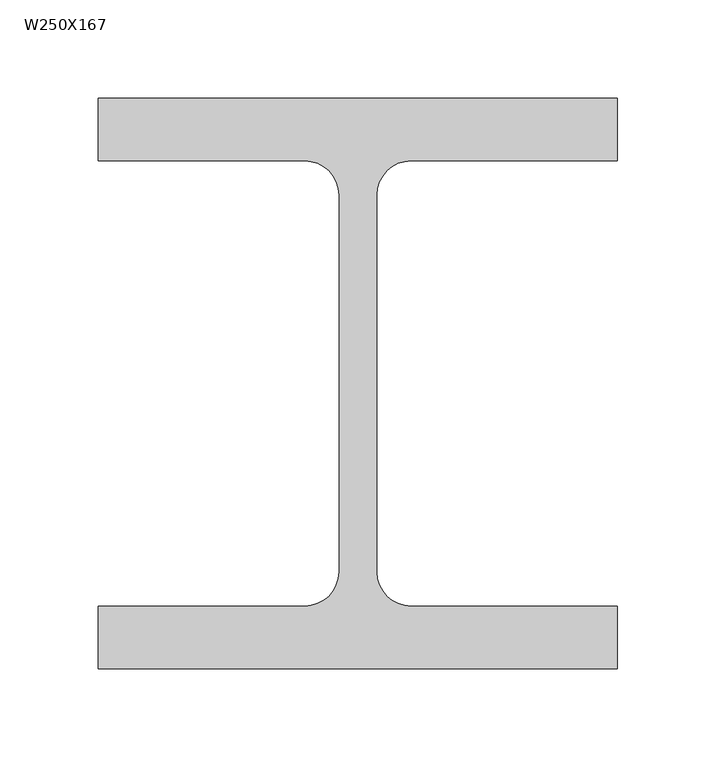
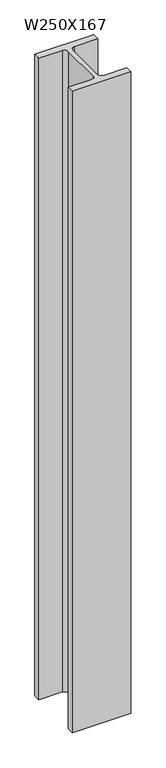
"""IFC4 building model written with IfcOpenShell, lengths in millimetres: column geometry, W250X167."""

import ifcopenshell
import ifcopenshell.guid

model = None  # the IFC model being written
_history = None  # IfcOwnerHistory: only IFC2X3 demands one
_inside = {}  # id of a spatial element -> (the spatial element, [elements in it])
_under = {}  # id of a project, library or spatial element -> (it, [spatial elements below it])
_declared = {}  # id of a project -> (the project, [libraries it declares])
_typed = {}  # id of a type object -> (the type object, [elements of that type])
_made_of = {}  # id of a material, layer set ... -> (it, [elements and type objects made of it])


def new_model(schema):
    """Start an empty IFC model of exactly this schema.

    Asked for "IFC4X3", IfcOpenShell would pick the latest addendum, in which some entities
    have other attributes; the version numbers below select the first issue.
    IFC2X3 requires an IfcOwnerHistory on every rooted entity: one is made here for all.
    """
    global model, _history
    if schema == "IFC4X3":
        model = ifcopenshell.file(schema_version=(4, 3, 0, 0))
    else:
        model = ifcopenshell.file(schema=schema)
    _inside.clear()
    _under.clear()
    _declared.clear()
    _typed.clear()
    _made_of.clear()
    _history = None
    if model.schema == "IFC2X3":
        org = make("IfcOrganization", Name="unknown")
        user = make(
            "IfcPersonAndOrganization",
            ThePerson=make("IfcPerson", FamilyName="unknown"),
            TheOrganization=org,
        )
        app = make(
            "IfcApplication",
            ApplicationDeveloper=org,
            Version="unknown",
            ApplicationFullName="unknown",
            ApplicationIdentifier="unknown",
        )
        _history = make(
            "IfcOwnerHistory",
            OwningUser=user,
            OwningApplication=app,
            ChangeAction="ADDED",
            CreationDate=0,
        )
    return model


def make(cls, **values):
    """One entity of the class cls with the attributes given. An attribute that is None is left unset."""
    return model.create_entity(
        cls, **{name: value for name, value in values.items() if value is not None}
    )


def rooted(cls, **values):
    """An entity with a GlobalId (a new one), such as an element, a storey or a relation."""
    return make(cls, GlobalId=ifcopenshell.guid.new(), OwnerHistory=_history, **values)


def si_unit(unit_type, name, prefix=None):
    """IfcSIUnit, for example si_unit("LENGTHUNIT", "METRE", prefix="MILLI")."""
    return make("IfcSIUnit", UnitType=unit_type, Prefix=prefix, Name=name)


def assignment(units):
    """IfcUnitAssignment: the units of a project."""
    return None if units is None else make("IfcUnitAssignment", Units=units)


def point(xyz):
    """IfcCartesianPoint."""
    return None if xyz is None else make("IfcCartesianPoint", Coordinates=xyz)


def direction(xyz):
    """IfcDirection."""
    return None if xyz is None else make("IfcDirection", DirectionRatios=xyz)


def frame(location, z_axis=None, x_axis=None):
    """IfcAxis2Placement3D, a coordinate frame: its origin and axes. An axis left out is left unset."""
    return make(
        "IfcAxis2Placement3D",
        Location=point(location),
        Axis=direction(z_axis),
        RefDirection=direction(x_axis),
    )


def frame_2d(location, x_axis=None):
    """IfcAxis2Placement2D, a coordinate frame in the plane: its origin and x axis."""
    return make(
        "IfcAxis2Placement2D", Location=point(location), RefDirection=direction(x_axis)
    )


def origin():
    """The frame at (0, 0, 0) with its axes left unset."""
    return frame((0.0, 0.0, 0.0))


def origin_with_axes():
    """The frame at (0, 0, 0) with the z axis (0, 0, 1) and the x axis (1, 0, 0) written out."""
    return frame((0.0, 0.0, 0.0), z_axis=(0.0, 0.0, 1.0), x_axis=(1.0, 0.0, 0.0))


def place(relative_to, where):
    """IfcLocalPlacement: puts the frame where relative to a parent placement (None: the world)."""
    return make(
        "IfcLocalPlacement", PlacementRelTo=relative_to, RelativePlacement=where
    )


def context(
    kind, dimensions, precision=None, world=None, true_north=None, identifier=None
):
    """IfcGeometricRepresentationContext, for example the 3D "Model" context."""
    return make(
        "IfcGeometricRepresentationContext",
        ContextIdentifier=identifier,
        ContextType=kind,
        CoordinateSpaceDimension=dimensions,
        Precision=precision,
        WorldCoordinateSystem=world,
        TrueNorth=true_north,
    )


def project(units=None, contexts=None):
    """IfcProject with its units and contexts."""
    return rooted(
        "IfcProject",
        Name="project",
        RepresentationContexts=contexts,
        UnitsInContext=assignment(units),
    )


def spatial(cls, under=None, at=None, **own):
    """A site, building, storey or space (cls), placed at a placement, below another one or the project."""
    s = rooted(cls, ObjectPlacement=at, **own)
    if under is not None:
        _under.setdefault(under.id(), (under, []))[1].append(s)
    return s


def polyline(points):
    """IfcPolyline through the points."""
    return make("IfcPolyline", Points=[point(p) for p in points])


def circle_curve(where, radius):
    """IfcCircle in the frame where."""
    return make("IfcCircle", Position=where, Radius=radius)


def trimmed(basis, trim1, trim2, sense, master):
    """IfcTrimmedCurve: the piece of a basis curve between two trims."""
    return make(
        "IfcTrimmedCurve",
        BasisCurve=basis,
        Trim1=trim1,
        Trim2=trim2,
        SenseAgreement=sense,
        MasterRepresentation=master,
    )


def segment(curve, same_sense, transition):
    """IfcCompositeCurveSegment."""
    return make(
        "IfcCompositeCurveSegment",
        Transition=transition,
        SameSense=same_sense,
        ParentCurve=curve,
    )


def composite_curve(segments, self_intersect=None):
    """IfcCompositeCurve: segments joined end to end."""
    return make("IfcCompositeCurve", Segments=segments, SelfIntersect=self_intersect)


def outline(outer, holes=None, kind="AREA"):
    """IfcArbitraryClosedProfileDef: a profile drawn as a closed curve; with holes, ...WithVoids."""
    if holes is None:
        return make("IfcArbitraryClosedProfileDef", ProfileType=kind, OuterCurve=outer)
    return make(
        "IfcArbitraryProfileDefWithVoids",
        ProfileType=kind,
        OuterCurve=outer,
        InnerCurves=holes,
    )


def extrude(swept, where, along, depth):
    """IfcExtrudedAreaSolid: the profile swept, set in the frame where, extruded along a direction by depth."""
    return make(
        "IfcExtrudedAreaSolid",
        SweptArea=swept,
        Position=where,
        ExtrudedDirection=direction(along),
        Depth=depth,
    )


def shape(context_of_items, identifier, shape_type, items):
    """IfcShapeRepresentation: the items that make up one representation, for example the "Body"."""
    return make(
        "IfcShapeRepresentation",
        ContextOfItems=context_of_items,
        RepresentationIdentifier=identifier,
        RepresentationType=shape_type,
        Items=items,
    )


def source(mapping_origin, context_of_items, identifier, shape_type, items):
    """IfcRepresentationMap: a shape defined once, which mapped items show again and again."""
    return make(
        "IfcRepresentationMap",
        MappingOrigin=mapping_origin,
        MappedRepresentation=shape(context_of_items, identifier, shape_type, items),
    )


def transform(
    local_origin,
    x_axis=None,
    y_axis=None,
    z_axis=None,
    scale=None,
    scale2=None,
    scale3=None,
    uniform=True,
):
    """IfcCartesianTransformationOperator3D, or its non-uniform kind. x_axis, y_axis, z_axis: its Axis1, 2, 3."""
    if uniform:
        return make(
            "IfcCartesianTransformationOperator3D",
            Axis1=direction(x_axis),
            Axis2=direction(y_axis),
            LocalOrigin=point(local_origin),
            Scale=scale,
            Axis3=direction(z_axis),
        )
    return make(
        "IfcCartesianTransformationOperator3DnonUniform",
        Axis1=direction(x_axis),
        Axis2=direction(y_axis),
        LocalOrigin=point(local_origin),
        Scale=scale,
        Axis3=direction(z_axis),
        Scale2=scale2,
        Scale3=scale3,
    )


def mapped(mapping_source, mapping_target):
    """IfcMappedItem: shows the shape of a source again, moved by a transform."""
    return make(
        "IfcMappedItem", MappingSource=mapping_source, MappingTarget=mapping_target
    )


def made_of(thing, what):
    """Note that an element or type object is made of a material, layer set ...; save() writes the relation."""
    if what is not None:
        _made_of.setdefault(what.id(), (what, []))[1].append(thing)
    return thing


def element(
    cls,
    number,
    at=None,
    inside=None,
    cuts=None,
    type_object=None,
    material=None,
    context=None,
    identifier="Body",
    shape_type=None,
    held_by="IfcProductDefinitionShape",
    body=None,
    shapes=None,
    **own,
):
    """One element of the class cls, such as IfcWall. Its Tag is "e" and its number.

    at: its placement. inside: the storey or other place that contains it. cuts: it is an
    opening in that element (IfcRelVoidsElement). A single representation is given by context,
    identifier, shape_type and body (its items); several are given by shapes. held_by: the class
    of the entity that holds the representations. save() writes the other relations.
    """
    e = rooted(cls, Tag="e%d" % number, ObjectPlacement=at, **own)
    if body is not None:
        shapes = [shape(context, identifier, shape_type, body)]
    if shapes is not None:
        e.Representation = make(held_by, Representations=shapes)
    if inside is not None:
        _inside.setdefault(inside.id(), (inside, []))[1].append(e)
    if cuts is not None:
        rooted(
            "IfcRelVoidsElement", RelatingBuildingElement=cuts, RelatedOpeningElement=e
        )
    if type_object is not None:
        _typed.setdefault(type_object.id(), (type_object, []))[1].append(e)
    return made_of(e, material)


def aggregate(whole, parts):
    """IfcRelAggregates: a whole, such as a stair, and the parts it consists of."""
    return rooted("IfcRelAggregates", RelatingObject=whole, RelatedObjects=parts)


def save(model, path):
    """Write the relations noted so far, then the file.

    IfcRelAggregates (storeys below a building ...), IfcRelContainedInSpatialStructure (elements
    in a storey), IfcRelDefinesByType, IfcRelAssociatesMaterial and IfcRelDeclares: one each for
    every whole, place, type object, material and project.
    """
    for whole, parts in _under.values():
        aggregate(whole, parts)
    for where, things in _inside.values():
        rooted(
            "IfcRelContainedInSpatialStructure",
            RelatedElements=things,
            RelatingStructure=where,
        )
    for kind, things in _typed.values():
        rooted("IfcRelDefinesByType", RelatedObjects=things, RelatingType=kind)
    for what, things in _made_of.values():
        rooted("IfcRelAssociatesMaterial", RelatedObjects=things, RelatingMaterial=what)
    for by, libraries in _declared.values():
        rooted("IfcRelDeclares", RelatingContext=by, RelatedDefinitions=libraries)
    model.write(path)


def w250x167_e98e16d2(model_context):
    return source(origin(), model_context, "Body", "SweptSolid", [
        extrude(outline(composite_curve([segment(polyline([(132.0, -145.0), (-132.0, -145.0), (-132.0, -113.2), (-27.0, -113.2)]), True, "CONTINUOUS"), segment(trimmed(circle_curve(frame_2d((-27.0, -95.8)), 17.4), [point((-27.0, -113.2))], [point((-9.6, -95.8))], True, "CARTESIAN"), True, "CONTINUOUS"), segment(polyline([(-9.6, -95.8), (-9.6, 95.8)]), True, "CONTINUOUS"), segment(trimmed(circle_curve(frame_2d((-27.0, 95.8)), 17.4), [point((-9.6, 95.8))], [point((-27.0, 113.2))], True, "CARTESIAN"), True, "CONTINUOUS"), segment(polyline([(-27.0, 113.2), (-132.0, 113.2), (-132.0, 145.0), (132.0, 145.0), (132.0, 113.2), (27.0, 113.2)]), True, "CONTINUOUS"), segment(trimmed(circle_curve(frame_2d((27.0, 95.8)), 17.4), [point((27.0, 113.2))], [point((9.6, 95.8))], True, "CARTESIAN"), True, "CONTINUOUS"), segment(polyline([(9.6, 95.8), (9.6, -95.8)]), True, "CONTINUOUS"), segment(trimmed(circle_curve(frame_2d((27.0, -95.8)), 17.4), [point((9.6, -95.8))], [point((27.0, -113.2))], True, "CARTESIAN"), True, "CONTINUOUS"), segment(polyline([(27.0, -113.2), (132.0, -113.2), (132.0, -145.0)]), True, "CONTINUOUS")], self_intersect=False)), origin_with_axes(), (0.0, 0.0, 1.0), 3048.0),
    ])


if __name__ == "__main__":
    model = new_model("IFC4")
    model_context = context("Model", 3, world=origin())
    ifc_project = project(units=[si_unit("LENGTHUNIT", "METRE", prefix="MILLI")], contexts=[model_context])
    site = spatial("IfcSite", under=ifc_project)
    building = spatial("IfcBuilding", under=site)
    placement = place(None, origin())
    w250x167_shape = w250x167_e98e16d2(model_context)
    element("IfcColumn", 1, ObjectType="W250X167", at=placement, inside=building, context=model_context, shape_type="MappedRepresentation", body=[
        mapped(w250x167_shape, transform((0.0, 0.0, 0.0), x_axis=(1.0, 0.0, 0.0), y_axis=(0.0, 1.0, 0.0), z_axis=(0.0, 0.0, 1.0))),
    ])
    save(model, "model.ifc")
